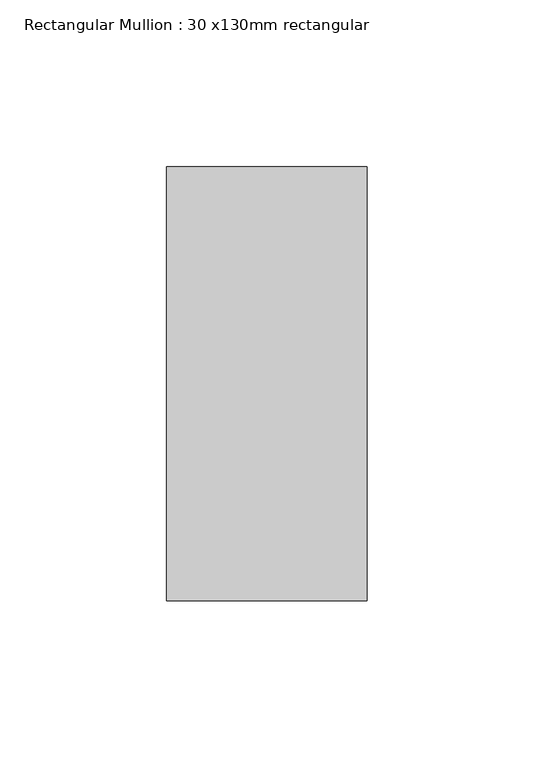
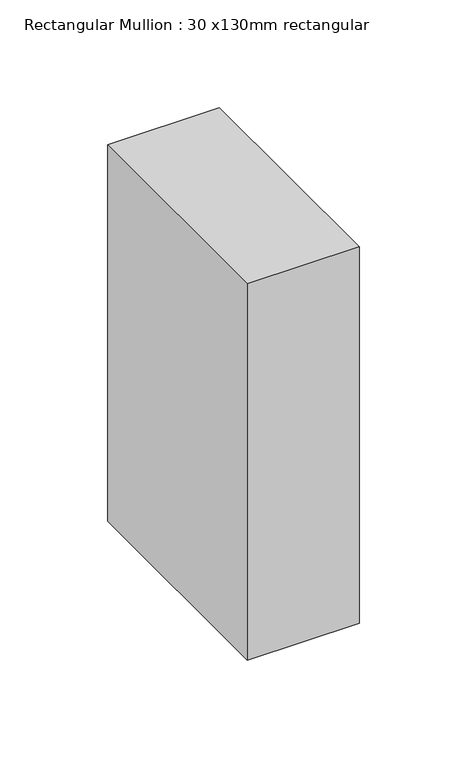
"""IFC4 building model written with IfcOpenShell, lengths in millimetres: member geometry, Rectangular Mullion : 30 x130mm rectangular."""

import ifcopenshell
import ifcopenshell.guid

model = None  # the IFC model being written
_history = None  # IfcOwnerHistory: only IFC2X3 demands one
_inside = {}  # id of a spatial element -> (the spatial element, [elements in it])
_under = {}  # id of a project, library or spatial element -> (it, [spatial elements below it])
_declared = {}  # id of a project -> (the project, [libraries it declares])
_typed = {}  # id of a type object -> (the type object, [elements of that type])
_made_of = {}  # id of a material, layer set ... -> (it, [elements and type objects made of it])


def new_model(schema):
    """Start an empty IFC model of exactly this schema.

    Asked for "IFC4X3", IfcOpenShell would pick the latest addendum, in which some entities
    have other attributes; the version numbers below select the first issue.
    IFC2X3 requires an IfcOwnerHistory on every rooted entity: one is made here for all.
    """
    global model, _history
    if schema == "IFC4X3":
        model = ifcopenshell.file(schema_version=(4, 3, 0, 0))
    else:
        model = ifcopenshell.file(schema=schema)
    _inside.clear()
    _under.clear()
    _declared.clear()
    _typed.clear()
    _made_of.clear()
    _history = None
    if model.schema == "IFC2X3":
        org = make("IfcOrganization", Name="unknown")
        user = make(
            "IfcPersonAndOrganization",
            ThePerson=make("IfcPerson", FamilyName="unknown"),
            TheOrganization=org,
        )
        app = make(
            "IfcApplication",
            ApplicationDeveloper=org,
            Version="unknown",
            ApplicationFullName="unknown",
            ApplicationIdentifier="unknown",
        )
        _history = make(
            "IfcOwnerHistory",
            OwningUser=user,
            OwningApplication=app,
            ChangeAction="ADDED",
            CreationDate=0,
        )
    return model


def make(cls, **values):
    """One entity of the class cls with the attributes given. An attribute that is None is left unset."""
    return model.create_entity(
        cls, **{name: value for name, value in values.items() if value is not None}
    )


def rooted(cls, **values):
    """An entity with a GlobalId (a new one), such as an element, a storey or a relation."""
    return make(cls, GlobalId=ifcopenshell.guid.new(), OwnerHistory=_history, **values)


def si_unit(unit_type, name, prefix=None):
    """IfcSIUnit, for example si_unit("LENGTHUNIT", "METRE", prefix="MILLI")."""
    return make("IfcSIUnit", UnitType=unit_type, Prefix=prefix, Name=name)


def assignment(units):
    """IfcUnitAssignment: the units of a project."""
    return None if units is None else make("IfcUnitAssignment", Units=units)


def point(xyz):
    """IfcCartesianPoint."""
    return None if xyz is None else make("IfcCartesianPoint", Coordinates=xyz)


def direction(xyz):
    """IfcDirection."""
    return None if xyz is None else make("IfcDirection", DirectionRatios=xyz)


def frame(location, z_axis=None, x_axis=None):
    """IfcAxis2Placement3D, a coordinate frame: its origin and axes. An axis left out is left unset."""
    return make(
        "IfcAxis2Placement3D",
        Location=point(location),
        Axis=direction(z_axis),
        RefDirection=direction(x_axis),
    )


def origin():
    """The frame at (0, 0, 0) with its axes left unset."""
    return frame((0.0, 0.0, 0.0))


def place(relative_to, where):
    """IfcLocalPlacement: puts the frame where relative to a parent placement (None: the world)."""
    return make(
        "IfcLocalPlacement", PlacementRelTo=relative_to, RelativePlacement=where
    )


def context(
    kind, dimensions, precision=None, world=None, true_north=None, identifier=None
):
    """IfcGeometricRepresentationContext, for example the 3D "Model" context."""
    return make(
        "IfcGeometricRepresentationContext",
        ContextIdentifier=identifier,
        ContextType=kind,
        CoordinateSpaceDimension=dimensions,
        Precision=precision,
        WorldCoordinateSystem=world,
        TrueNorth=true_north,
    )


def project(units=None, contexts=None):
    """IfcProject with its units and contexts."""
    return rooted(
        "IfcProject",
        Name="project",
        RepresentationContexts=contexts,
        UnitsInContext=assignment(units),
    )


def spatial(cls, under=None, at=None, **own):
    """A site, building, storey or space (cls), placed at a placement, below another one or the project."""
    s = rooted(cls, ObjectPlacement=at, **own)
    if under is not None:
        _under.setdefault(under.id(), (under, []))[1].append(s)
    return s


def polyline(points):
    """IfcPolyline through the points."""
    return make("IfcPolyline", Points=[point(p) for p in points])


def outline(outer, holes=None, kind="AREA"):
    """IfcArbitraryClosedProfileDef: a profile drawn as a closed curve; with holes, ...WithVoids."""
    if holes is None:
        return make("IfcArbitraryClosedProfileDef", ProfileType=kind, OuterCurve=outer)
    return make(
        "IfcArbitraryProfileDefWithVoids",
        ProfileType=kind,
        OuterCurve=outer,
        InnerCurves=holes,
    )


def extrude(swept, where, along, depth):
    """IfcExtrudedAreaSolid: the profile swept, set in the frame where, extruded along a direction by depth."""
    return make(
        "IfcExtrudedAreaSolid",
        SweptArea=swept,
        Position=where,
        ExtrudedDirection=direction(along),
        Depth=depth,
    )


def shape(context_of_items, identifier, shape_type, items):
    """IfcShapeRepresentation: the items that make up one representation, for example the "Body"."""
    return make(
        "IfcShapeRepresentation",
        ContextOfItems=context_of_items,
        RepresentationIdentifier=identifier,
        RepresentationType=shape_type,
        Items=items,
    )


def source(mapping_origin, context_of_items, identifier, shape_type, items):
    """IfcRepresentationMap: a shape defined once, which mapped items show again and again."""
    return make(
        "IfcRepresentationMap",
        MappingOrigin=mapping_origin,
        MappedRepresentation=shape(context_of_items, identifier, shape_type, items),
    )


def transform(
    local_origin,
    x_axis=None,
    y_axis=None,
    z_axis=None,
    scale=None,
    scale2=None,
    scale3=None,
    uniform=True,
):
    """IfcCartesianTransformationOperator3D, or its non-uniform kind. x_axis, y_axis, z_axis: its Axis1, 2, 3."""
    if uniform:
        return make(
            "IfcCartesianTransformationOperator3D",
            Axis1=direction(x_axis),
            Axis2=direction(y_axis),
            LocalOrigin=point(local_origin),
            Scale=scale,
            Axis3=direction(z_axis),
        )
    return make(
        "IfcCartesianTransformationOperator3DnonUniform",
        Axis1=direction(x_axis),
        Axis2=direction(y_axis),
        LocalOrigin=point(local_origin),
        Scale=scale,
        Axis3=direction(z_axis),
        Scale2=scale2,
        Scale3=scale3,
    )


def mapped(mapping_source, mapping_target):
    """IfcMappedItem: shows the shape of a source again, moved by a transform."""
    return make(
        "IfcMappedItem", MappingSource=mapping_source, MappingTarget=mapping_target
    )


def made_of(thing, what):
    """Note that an element or type object is made of a material, layer set ...; save() writes the relation."""
    if what is not None:
        _made_of.setdefault(what.id(), (what, []))[1].append(thing)
    return thing


def element(
    cls,
    number,
    at=None,
    inside=None,
    cuts=None,
    type_object=None,
    material=None,
    context=None,
    identifier="Body",
    shape_type=None,
    held_by="IfcProductDefinitionShape",
    body=None,
    shapes=None,
    **own,
):
    """One element of the class cls, such as IfcWall. Its Tag is "e" and its number.

    at: its placement. inside: the storey or other place that contains it. cuts: it is an
    opening in that element (IfcRelVoidsElement). A single representation is given by context,
    identifier, shape_type and body (its items); several are given by shapes. held_by: the class
    of the entity that holds the representations. save() writes the other relations.
    """
    e = rooted(cls, Tag="e%d" % number, ObjectPlacement=at, **own)
    if body is not None:
        shapes = [shape(context, identifier, shape_type, body)]
    if shapes is not None:
        e.Representation = make(held_by, Representations=shapes)
    if inside is not None:
        _inside.setdefault(inside.id(), (inside, []))[1].append(e)
    if cuts is not None:
        rooted(
            "IfcRelVoidsElement", RelatingBuildingElement=cuts, RelatedOpeningElement=e
        )
    if type_object is not None:
        _typed.setdefault(type_object.id(), (type_object, []))[1].append(e)
    return made_of(e, material)


def aggregate(whole, parts):
    """IfcRelAggregates: a whole, such as a stair, and the parts it consists of."""
    return rooted("IfcRelAggregates", RelatingObject=whole, RelatedObjects=parts)


def save(model, path):
    """Write the relations noted so far, then the file.

    IfcRelAggregates (storeys below a building ...), IfcRelContainedInSpatialStructure (elements
    in a storey), IfcRelDefinesByType, IfcRelAssociatesMaterial and IfcRelDeclares: one each for
    every whole, place, type object, material and project.
    """
    for whole, parts in _under.values():
        aggregate(whole, parts)
    for where, things in _inside.values():
        rooted(
            "IfcRelContainedInSpatialStructure",
            RelatedElements=things,
            RelatingStructure=where,
        )
    for kind, things in _typed.values():
        rooted("IfcRelDefinesByType", RelatedObjects=things, RelatingType=kind)
    for what, things in _made_of.values():
        rooted("IfcRelAssociatesMaterial", RelatedObjects=things, RelatingMaterial=what)
    for by, libraries in _declared.values():
        rooted("IfcRelDeclares", RelatingContext=by, RelatedDefinitions=libraries)
    model.write(path)


def rectangular_mullion_30_x130mm_rectangular_8a143588(model_context):
    return source(origin(), model_context, "Body", "SweptSolid", [
        extrude(outline(polyline([(0.0, 65.0), (0.0, -65.0), (-60.0, -65.0), (-60.0, 65.0), (0.0, 65.0)])), frame((0.0, 0.0, -213.7276996), z_axis=(0.0, 0.0, 1.0), x_axis=(1.0, 0.0, 0.0)), (0.0, 0.0, 1.0), 213.7276996),
    ])


if __name__ == "__main__":
    model = new_model("IFC4")
    model_context = context("Model", 3, world=origin())
    ifc_project = project(units=[si_unit("LENGTHUNIT", "METRE", prefix="MILLI")], contexts=[model_context])
    site = spatial("IfcSite", under=ifc_project)
    building = spatial("IfcBuilding", under=site)
    placement = place(None, origin())
    rectangular_mullion_30_x130mm_rectangular_shape = rectangular_mullion_30_x130mm_rectangular_8a143588(model_context)
    element("IfcMember", 1, ObjectType="Rectangular Mullion : 30 x130mm rectangular", at=placement, inside=building, context=model_context, shape_type="MappedRepresentation", body=[
        mapped(rectangular_mullion_30_x130mm_rectangular_shape, transform((0.0, 0.0, 0.0), x_axis=(1.0, 0.0, 0.0), y_axis=(0.0, 1.0, 0.0), z_axis=(0.0, 0.0, 1.0))),
    ])
    save(model, "model.ifc")
